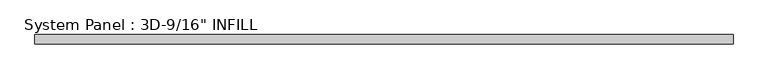
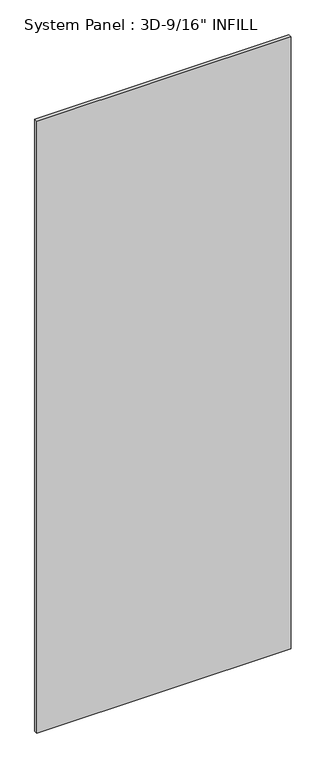
"""IFC4 building model written with IfcOpenShell, lengths in millimetres: plate geometry."""

import ifcopenshell
import ifcopenshell.guid

model = None  # the IFC model being written
_history = None  # IfcOwnerHistory: only IFC2X3 demands one
_inside = {}  # id of a spatial element -> (the spatial element, [elements in it])
_under = {}  # id of a project, library or spatial element -> (it, [spatial elements below it])
_declared = {}  # id of a project -> (the project, [libraries it declares])
_typed = {}  # id of a type object -> (the type object, [elements of that type])
_made_of = {}  # id of a material, layer set ... -> (it, [elements and type objects made of it])


def new_model(schema):
    """Start an empty IFC model of exactly this schema.

    Asked for "IFC4X3", IfcOpenShell would pick the latest addendum, in which some entities
    have other attributes; the version numbers below select the first issue.
    IFC2X3 requires an IfcOwnerHistory on every rooted entity: one is made here for all.
    """
    global model, _history
    if schema == "IFC4X3":
        model = ifcopenshell.file(schema_version=(4, 3, 0, 0))
    else:
        model = ifcopenshell.file(schema=schema)
    _inside.clear()
    _under.clear()
    _declared.clear()
    _typed.clear()
    _made_of.clear()
    _history = None
    if model.schema == "IFC2X3":
        org = make("IfcOrganization", Name="unknown")
        user = make(
            "IfcPersonAndOrganization",
            ThePerson=make("IfcPerson", FamilyName="unknown"),
            TheOrganization=org,
        )
        app = make(
            "IfcApplication",
            ApplicationDeveloper=org,
            Version="unknown",
            ApplicationFullName="unknown",
            ApplicationIdentifier="unknown",
        )
        _history = make(
            "IfcOwnerHistory",
            OwningUser=user,
            OwningApplication=app,
            ChangeAction="ADDED",
            CreationDate=0,
        )
    return model


def make(cls, **values):
    """One entity of the class cls with the attributes given. An attribute that is None is left unset."""
    return model.create_entity(
        cls, **{name: value for name, value in values.items() if value is not None}
    )


def rooted(cls, **values):
    """An entity with a GlobalId (a new one), such as an element, a storey or a relation."""
    return make(cls, GlobalId=ifcopenshell.guid.new(), OwnerHistory=_history, **values)


def si_unit(unit_type, name, prefix=None):
    """IfcSIUnit, for example si_unit("LENGTHUNIT", "METRE", prefix="MILLI")."""
    return make("IfcSIUnit", UnitType=unit_type, Prefix=prefix, Name=name)


def assignment(units):
    """IfcUnitAssignment: the units of a project."""
    return None if units is None else make("IfcUnitAssignment", Units=units)


def point(xyz):
    """IfcCartesianPoint."""
    return None if xyz is None else make("IfcCartesianPoint", Coordinates=xyz)


def direction(xyz):
    """IfcDirection."""
    return None if xyz is None else make("IfcDirection", DirectionRatios=xyz)


def frame(location, z_axis=None, x_axis=None):
    """IfcAxis2Placement3D, a coordinate frame: its origin and axes. An axis left out is left unset."""
    return make(
        "IfcAxis2Placement3D",
        Location=point(location),
        Axis=direction(z_axis),
        RefDirection=direction(x_axis),
    )


def origin():
    """The frame at (0, 0, 0) with its axes left unset."""
    return frame((0.0, 0.0, 0.0))


def origin_with_axes():
    """The frame at (0, 0, 0) with the z axis (0, 0, 1) and the x axis (1, 0, 0) written out."""
    return frame((0.0, 0.0, 0.0), z_axis=(0.0, 0.0, 1.0), x_axis=(1.0, 0.0, 0.0))


def place(relative_to, where):
    """IfcLocalPlacement: puts the frame where relative to a parent placement (None: the world)."""
    return make(
        "IfcLocalPlacement", PlacementRelTo=relative_to, RelativePlacement=where
    )


def context(
    kind, dimensions, precision=None, world=None, true_north=None, identifier=None
):
    """IfcGeometricRepresentationContext, for example the 3D "Model" context."""
    return make(
        "IfcGeometricRepresentationContext",
        ContextIdentifier=identifier,
        ContextType=kind,
        CoordinateSpaceDimension=dimensions,
        Precision=precision,
        WorldCoordinateSystem=world,
        TrueNorth=true_north,
    )


def project(units=None, contexts=None):
    """IfcProject with its units and contexts."""
    return rooted(
        "IfcProject",
        Name="project",
        RepresentationContexts=contexts,
        UnitsInContext=assignment(units),
    )


def spatial(cls, under=None, at=None, **own):
    """A site, building, storey or space (cls), placed at a placement, below another one or the project."""
    s = rooted(cls, ObjectPlacement=at, **own)
    if under is not None:
        _under.setdefault(under.id(), (under, []))[1].append(s)
    return s


def polyline(points):
    """IfcPolyline through the points."""
    return make("IfcPolyline", Points=[point(p) for p in points])


def outline(outer, holes=None, kind="AREA"):
    """IfcArbitraryClosedProfileDef: a profile drawn as a closed curve; with holes, ...WithVoids."""
    if holes is None:
        return make("IfcArbitraryClosedProfileDef", ProfileType=kind, OuterCurve=outer)
    return make(
        "IfcArbitraryProfileDefWithVoids",
        ProfileType=kind,
        OuterCurve=outer,
        InnerCurves=holes,
    )


def extrude(swept, where, along, depth):
    """IfcExtrudedAreaSolid: the profile swept, set in the frame where, extruded along a direction by depth."""
    return make(
        "IfcExtrudedAreaSolid",
        SweptArea=swept,
        Position=where,
        ExtrudedDirection=direction(along),
        Depth=depth,
    )


def shape(context_of_items, identifier, shape_type, items):
    """IfcShapeRepresentation: the items that make up one representation, for example the "Body"."""
    return make(
        "IfcShapeRepresentation",
        ContextOfItems=context_of_items,
        RepresentationIdentifier=identifier,
        RepresentationType=shape_type,
        Items=items,
    )


def source(mapping_origin, context_of_items, identifier, shape_type, items):
    """IfcRepresentationMap: a shape defined once, which mapped items show again and again."""
    return make(
        "IfcRepresentationMap",
        MappingOrigin=mapping_origin,
        MappedRepresentation=shape(context_of_items, identifier, shape_type, items),
    )


def transform(
    local_origin,
    x_axis=None,
    y_axis=None,
    z_axis=None,
    scale=None,
    scale2=None,
    scale3=None,
    uniform=True,
):
    """IfcCartesianTransformationOperator3D, or its non-uniform kind. x_axis, y_axis, z_axis: its Axis1, 2, 3."""
    if uniform:
        return make(
            "IfcCartesianTransformationOperator3D",
            Axis1=direction(x_axis),
            Axis2=direction(y_axis),
            LocalOrigin=point(local_origin),
            Scale=scale,
            Axis3=direction(z_axis),
        )
    return make(
        "IfcCartesianTransformationOperator3DnonUniform",
        Axis1=direction(x_axis),
        Axis2=direction(y_axis),
        LocalOrigin=point(local_origin),
        Scale=scale,
        Axis3=direction(z_axis),
        Scale2=scale2,
        Scale3=scale3,
    )


def mapped(mapping_source, mapping_target):
    """IfcMappedItem: shows the shape of a source again, moved by a transform."""
    return make(
        "IfcMappedItem", MappingSource=mapping_source, MappingTarget=mapping_target
    )


def made_of(thing, what):
    """Note that an element or type object is made of a material, layer set ...; save() writes the relation."""
    if what is not None:
        _made_of.setdefault(what.id(), (what, []))[1].append(thing)
    return thing


def element(
    cls,
    number,
    at=None,
    inside=None,
    cuts=None,
    type_object=None,
    material=None,
    context=None,
    identifier="Body",
    shape_type=None,
    held_by="IfcProductDefinitionShape",
    body=None,
    shapes=None,
    **own,
):
    """One element of the class cls, such as IfcWall. Its Tag is "e" and its number.

    at: its placement. inside: the storey or other place that contains it. cuts: it is an
    opening in that element (IfcRelVoidsElement). A single representation is given by context,
    identifier, shape_type and body (its items); several are given by shapes. held_by: the class
    of the entity that holds the representations. save() writes the other relations.
    """
    e = rooted(cls, Tag="e%d" % number, ObjectPlacement=at, **own)
    if body is not None:
        shapes = [shape(context, identifier, shape_type, body)]
    if shapes is not None:
        e.Representation = make(held_by, Representations=shapes)
    if inside is not None:
        _inside.setdefault(inside.id(), (inside, []))[1].append(e)
    if cuts is not None:
        rooted(
            "IfcRelVoidsElement", RelatingBuildingElement=cuts, RelatedOpeningElement=e
        )
    if type_object is not None:
        _typed.setdefault(type_object.id(), (type_object, []))[1].append(e)
    return made_of(e, material)


def aggregate(whole, parts):
    """IfcRelAggregates: a whole, such as a stair, and the parts it consists of."""
    return rooted("IfcRelAggregates", RelatingObject=whole, RelatedObjects=parts)


def save(model, path):
    """Write the relations noted so far, then the file.

    IfcRelAggregates (storeys below a building ...), IfcRelContainedInSpatialStructure (elements
    in a storey), IfcRelDefinesByType, IfcRelAssociatesMaterial and IfcRelDeclares: one each for
    every whole, place, type object, material and project.
    """
    for whole, parts in _under.values():
        aggregate(whole, parts)
    for where, things in _inside.values():
        rooted(
            "IfcRelContainedInSpatialStructure",
            RelatedElements=things,
            RelatingStructure=where,
        )
    for kind, things in _typed.values():
        rooted("IfcRelDefinesByType", RelatedObjects=things, RelatingType=kind)
    for what, things in _made_of.values():
        rooted("IfcRelAssociatesMaterial", RelatedObjects=things, RelatingMaterial=what)
    for by, libraries in _declared.values():
        rooted("IfcRelDeclares", RelatingContext=by, RelatedDefinitions=libraries)
    model.write(path)


def plate_e31d7e70(model_context):
    return source(origin(), model_context, "Body", "SweptSolid", [
        extrude(outline(polyline([(536.575, -38.89375), (-536.575, -38.89375), (-536.575, -24.60625), (536.575, -24.60625), (536.575, -38.89375)])), origin_with_axes(), (0.0, 0.0, 1.0), 2730.4843226),
    ])


if __name__ == "__main__":
    model = new_model("IFC4")
    model_context = context("Model", 3, world=origin())
    ifc_project = project(units=[si_unit("LENGTHUNIT", "METRE", prefix="MILLI")], contexts=[model_context])
    site = spatial("IfcSite", under=ifc_project)
    building = spatial("IfcBuilding", under=site)
    placement = place(None, origin())
    plate_shape = plate_e31d7e70(model_context)
    element("IfcPlate", 1, ObjectType="System Panel : 3D-9/16\" INFILL", at=placement, inside=building, context=model_context, shape_type="MappedRepresentation", body=[
        mapped(plate_shape, transform((0.0, 0.0, 0.0), x_axis=(1.0, 0.0, 0.0), y_axis=(0.0, 1.0, 0.0), z_axis=(0.0, 0.0, 1.0))),
    ])
    save(model, "model.ifc")
